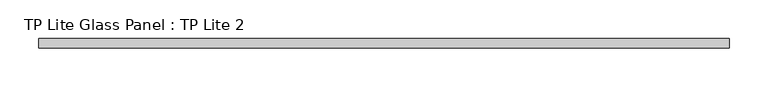
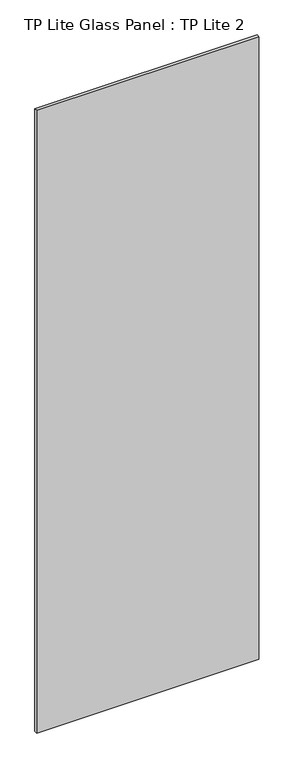
"""IFC4 building model written with IfcOpenShell, lengths in millimetres: plate geometry, TP Lite Glass Panel : TP Lite 2."""

from ifc_helpers import new_model, si_unit, origin, origin_with_axes, place, context, project, spatial, polyline, outline, extrude, source, transform, mapped, element, save


def tp_lite_glass_panel_tp_lite_2_2ce133ef(model_context):
    return source(origin(), model_context, "Body", "SweptSolid", [
        extrude(outline(polyline([(445.5, -6.0), (-445.5, -6.0), (-445.5, 6.0), (445.5, 6.0), (445.5, -6.0)])), origin_with_axes(), (0.0, 0.0, 1.0), 2640.0000015),
    ])


if __name__ == "__main__":
    model = new_model("IFC4")
    model_context = context("Model", 3, world=origin())
    ifc_project = project(units=[si_unit("LENGTHUNIT", "METRE", prefix="MILLI")], contexts=[model_context])
    site = spatial("IfcSite", under=ifc_project)
    building = spatial("IfcBuilding", under=site)
    placement = place(None, origin())
    tp_lite_glass_panel_tp_lite_2_shape = tp_lite_glass_panel_tp_lite_2_2ce133ef(model_context)
    element("IfcPlate", 1, ObjectType="TP Lite Glass Panel : TP Lite 2", at=placement, inside=building, context=model_context, shape_type="MappedRepresentation", body=[
        mapped(tp_lite_glass_panel_tp_lite_2_shape, transform((0.0, 0.0, 0.0), x_axis=(1.0, 0.0, 0.0), y_axis=(0.0, 1.0, 0.0), z_axis=(0.0, 0.0, 1.0))),
    ])
    save(model, "model.ifc")
